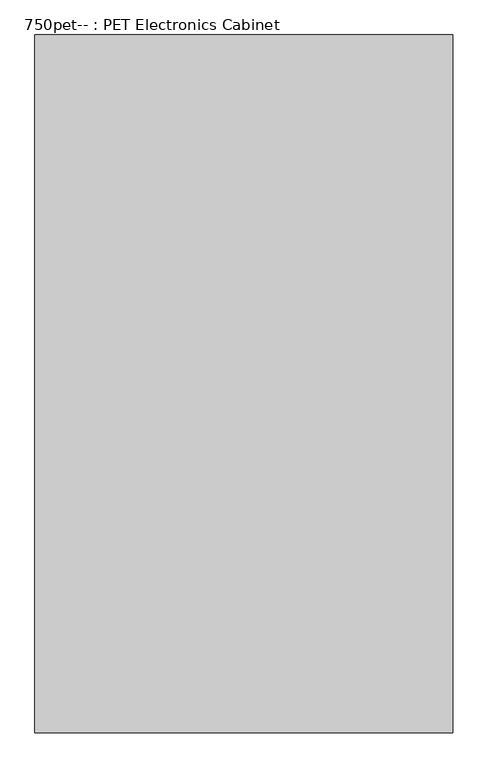
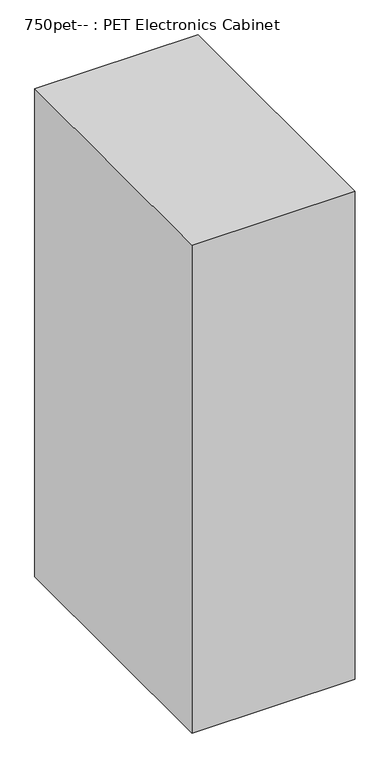
"""IFC4 building model written with IfcOpenShell, lengths in millimetres: proxy geometry, 750pet-- : PET Electronics Cabinet."""

from ifc_helpers import new_model, si_unit, origin, origin_with_axes, place, context, project, spatial, polyline, outline, extrude, source, transform, mapped, element, save


def proxy_750pet_pet_electronics_cabinet_0b86069e(model_context):
    return source(origin(), model_context, "Body", "SweptSolid", [
        extrude(outline(polyline([(0.0, 1102.36), (599.44, 1102.36), (599.44, 101.6), (0.0, 101.6), (0.0, 1102.36)])), origin_with_axes(), (0.0, 0.0, 1.0), 1894.84),
    ])


if __name__ == "__main__":
    model = new_model("IFC4")
    model_context = context("Model", 3, world=origin())
    ifc_project = project(units=[si_unit("LENGTHUNIT", "METRE", prefix="MILLI")], contexts=[model_context])
    site = spatial("IfcSite", under=ifc_project)
    building = spatial("IfcBuilding", under=site)
    placement = place(None, origin())
    proxy_750pet_pet_electronics_cabinet_shape = proxy_750pet_pet_electronics_cabinet_0b86069e(model_context)
    element("IfcBuildingElementProxy", 1, Name="750pet-- : PET Electronics Cabinet", ObjectType="750pet-- : PET Electronics Cabinet", at=placement, inside=building, context=model_context, shape_type="MappedRepresentation", body=[
        mapped(proxy_750pet_pet_electronics_cabinet_shape, transform((0.0, 0.0, 0.0), x_axis=(1.0, 0.0, 0.0), y_axis=(0.0, 1.0, 0.0), z_axis=(0.0, 0.0, 1.0))),
    ])
    save(model, "model.ifc")
